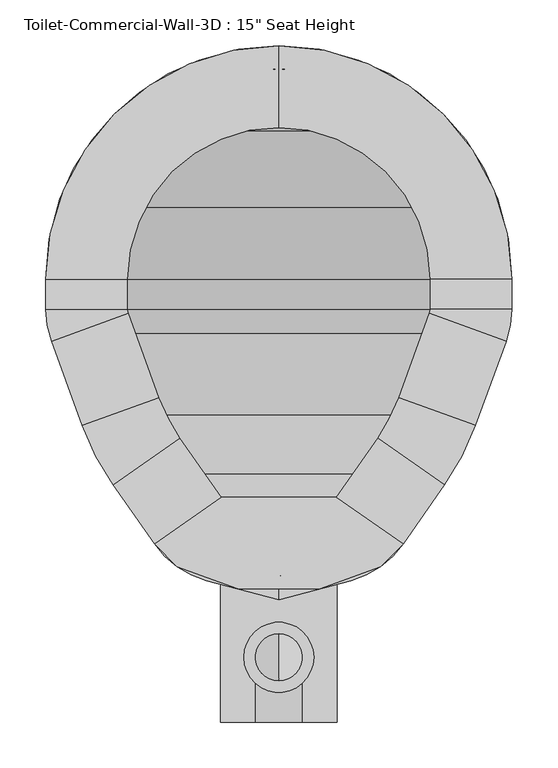
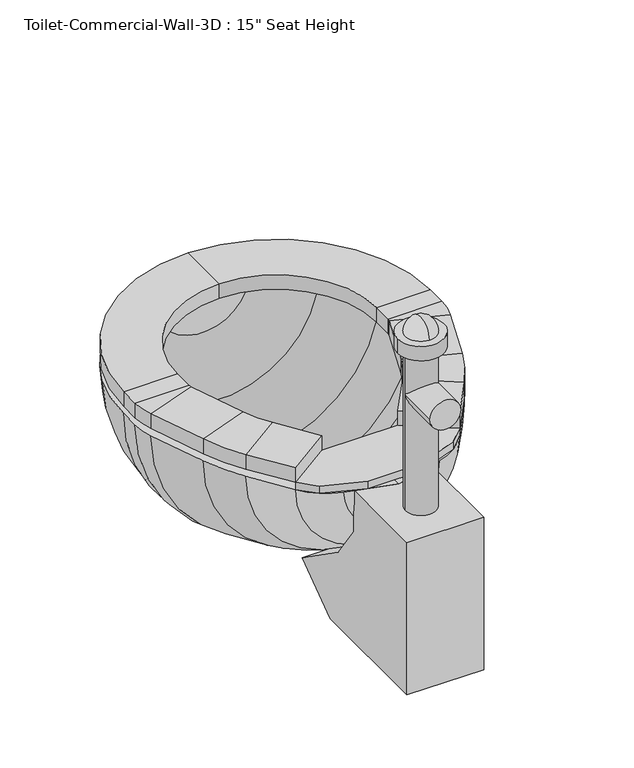
"""IFC4 building model written with IfcOpenShell, lengths in millimetres: flow terminal geometry."""

from ifc_helpers import new_model, si_unit, point, frame, frame_2d, origin, place, context, project, spatial, polyline, circle_curve, ellipse_curve, trimmed, segment, composite_curve, outline, extrude, source, transform, mapped, element, save
from ifc_brep_helpers import plane_surface, cylinder_surface, revolved_surface, advanced_brep


def flow_terminal_b1c2c89b(model_context):
    return source(origin(), model_context, "Body", "SolidModel", [
        extrude(outline(polyline([(467.7541169, 295.8347495), (540.5767337, 244.8438043), (515.6262519, 219.8933226), (449.563909, 195.8485961), (360.2423986, 195.8485961), (294.1800557, 219.8933226), (269.229574, 244.8438043), (342.0521907, 295.8347495), (467.7541169, 295.8347495)])), frame((0.0, 0.0, 342.9), z_axis=(0.0, 0.0, 1.0), x_axis=(1.0, 0.0, 0.0)), (0.0, 0.0, 1.0), 12.7),
        advanced_brep(
        [(467.7541169, 295.8347495, 355.6), (540.5767337, 244.8438043, 355.6), (540.5767337, 244.8438043, 381.0), (467.7541169, 295.8347495, 381.0), (512.8583992, 360.2503403, 355.6), (585.6810159, 309.2593951, 355.6), (585.6810159, 309.2593951, 381.0), (512.8583992, 360.2503403, 381.0), (619.360053, 373.9562234, 355.6), (535.821379, 404.3618141, 355.6), (619.360053, 373.9562234, 381.0), (535.821379, 404.3618141, 381.0), (569.2372501, 496.1711654, 355.6), (652.7759241, 465.7655747, 355.6), (652.7759241, 465.7655747, 381.0), (569.2372501, 496.1711654, 381.0), (658.9031538, 500.5148212, 355.6), (570.0031538, 500.5148212, 355.6), (658.9031538, 500.5148212, 381.0), (570.0031538, 500.5148212, 381.0), (570.0031538, 533.4, 355.6), (658.9031538, 533.4, 355.6), (658.9031538, 533.4, 381.0), (570.0031538, 533.4, 381.0), (404.9031538, 787.4, 355.6), (404.9031538, 698.5, 355.6), (404.9031538, 787.4, 381.0), (404.9031538, 698.5, 381.0), (150.9031538, 533.4, 355.6), (239.8031538, 533.4, 355.6), (150.9031538, 533.4, 381.0), (239.8031538, 533.4, 381.0), (239.8031538, 500.5148212, 355.6), (150.9031538, 500.5148212, 355.6), (150.9031538, 500.5148212, 381.0), (239.8031538, 500.5148212, 381.0), (157.0303835, 465.7655747, 355.6), (240.5690575, 496.1711654, 355.6), (157.0303835, 465.7655747, 381.0), (240.5690575, 496.1711654, 381.0), (273.9849286, 404.3618141, 355.6), (190.4462546, 373.9562234, 355.6), (190.4462546, 373.9562234, 381.0), (273.9849286, 404.3618141, 381.0), (224.1252917, 309.2593951, 355.6), (296.9479084, 360.2503403, 355.6), (224.1252917, 309.2593951, 381.0), (296.9479084, 360.2503403, 381.0), (342.0521907, 295.8347495, 355.6), (342.0521907, 295.8347495, 381.0), (269.229574, 244.8438043, 381.0), (269.229574, 244.8438043, 355.6)],
        [
            (0, 1),
            (1, 2),
            (2, 3),
            (3, 0),
            (0, 4),
            (4, 5),
            (5, 1),
            (5, 6),
            (6, 2),
            (6, 7),
            (7, 3),
            (7, 4),
            (8, 5, circle_curve(frame((356.8099347, 469.5166514, 355.6), z_axis=(0.0, 0.0, -1.0), x_axis=(0.81915204428899, -0.5735764363510486, 0.0)), 279.4)),
            (4, 9, circle_curve(frame((356.8099347, 469.5166514, 355.6), z_axis=(0.0, 0.0, 1.0), x_axis=(0.81915204428899, -0.5735764363510486, 0.0)), 190.5)),
            (9, 8),
            (10, 6, circle_curve(frame((356.8099347, 469.5166514, 381.0), z_axis=(0.0, 0.0, -1.0), x_axis=(0.81915204428899, -0.5735764363510486, 0.0)), 279.4)),
            (8, 10),
            (11, 7, circle_curve(frame((356.8099347, 469.5166514, 381.0), z_axis=(0.0, 0.0, -1.0), x_axis=(0.81915204428899, -0.5735764363510486, 0.0)), 190.5)),
            (10, 11),
            (11, 9),
            (9, 12),
            (12, 13),
            (13, 8),
            (13, 14),
            (14, 10),
            (14, 15),
            (15, 11),
            (15, 12),
            (16, 13, circle_curve(frame((557.3031538, 500.5148212, 355.6), z_axis=(0.0, 0.0, -1.0), x_axis=(0.939692620785906, -0.34202014332567526, 0.0)), 101.6)),
            (12, 17, circle_curve(frame((557.3031538, 500.5148212, 355.6), z_axis=(0.0, 0.0, 1.0), x_axis=(0.939692620785906, -0.34202014332567526, 0.0)), 12.7)),
            (17, 16),
            (18, 14, circle_curve(frame((557.3031538, 500.5148212, 381.0), z_axis=(0.0, 0.0, -1.0), x_axis=(0.939692620785906, -0.34202014332567526, 0.0)), 101.6)),
            (16, 18),
            (19, 15, circle_curve(frame((557.3031538, 500.5148212, 381.0), z_axis=(0.0, 0.0, -1.0), x_axis=(0.939692620785906, -0.34202014332567526, 0.0)), 12.7)),
            (18, 19),
            (19, 17),
            (17, 20),
            (20, 21),
            (21, 16),
            (21, 22),
            (22, 18),
            (22, 23),
            (23, 19),
            (23, 20),
            (24, 21, circle_curve(frame((404.9031538, 533.4, 355.6), z_axis=(0.0, 0.0, -1.0), x_axis=(1.0, 0.0, 0.0)), 254.0)),
            (20, 25, circle_curve(frame((404.9031538, 533.4, 355.6), z_axis=(0.0, 0.0, 1.0), x_axis=(1.0, 0.0, 0.0)), 165.1)),
            (25, 24),
            (26, 22, circle_curve(frame((404.9031538, 533.4, 381.0), z_axis=(0.0, 0.0, -1.0), x_axis=(1.0, 0.0, 0.0)), 254.0)),
            (24, 26),
            (27, 23, circle_curve(frame((404.9031538, 533.4, 381.0), z_axis=(0.0, 0.0, -1.0), x_axis=(1.0, 0.0, 0.0)), 165.1)),
            (26, 27),
            (27, 25),
            (28, 24, circle_curve(frame((404.9031538, 533.4, 355.6), z_axis=(0.0, 0.0, -1.0), x_axis=(0.0, 1.0, 0.0)), 254.0)),
            (25, 29, circle_curve(frame((404.9031538, 533.4, 355.6), z_axis=(0.0, 0.0, 1.0), x_axis=(0.0, 1.0, 0.0)), 165.1)),
            (29, 28),
            (30, 26, circle_curve(frame((404.9031538, 533.4, 381.0), z_axis=(0.0, 0.0, -1.0), x_axis=(0.0, 1.0, 0.0)), 254.0)),
            (28, 30),
            (31, 27, circle_curve(frame((404.9031538, 533.4, 381.0), z_axis=(0.0, 0.0, -1.0), x_axis=(0.0, 1.0, 0.0)), 165.1)),
            (30, 31),
            (31, 29),
            (29, 32),
            (32, 33),
            (33, 28),
            (33, 34),
            (34, 30),
            (34, 35),
            (35, 31),
            (35, 32),
            (36, 33, circle_curve(frame((252.5031538, 500.5148212, 355.6), z_axis=(0.0, 0.0, -1.0), x_axis=(-1.0, 0.0, 0.0)), 101.6)),
            (32, 37, circle_curve(frame((252.5031538, 500.5148212, 355.6), z_axis=(0.0, 0.0, 1.0), x_axis=(-1.0, 0.0, 0.0)), 12.7)),
            (37, 36),
            (38, 34, circle_curve(frame((252.5031538, 500.5148212, 381.0), z_axis=(0.0, 0.0, -1.0), x_axis=(-1.0, 0.0, 0.0)), 101.6)),
            (36, 38),
            (39, 35, circle_curve(frame((252.5031538, 500.5148212, 381.0), z_axis=(0.0, 0.0, -1.0), x_axis=(-1.0, 0.0, 0.0)), 12.7)),
            (38, 39),
            (39, 37),
            (37, 40),
            (40, 41),
            (41, 36),
            (41, 42),
            (42, 38),
            (42, 43),
            (43, 39),
            (43, 40),
            (44, 41, circle_curve(frame((452.9963729, 469.5166514, 355.6), z_axis=(0.0, 0.0, -1.0), x_axis=(-0.9396926207859088, -0.34202014332566766, 0.0)), 279.4)),
            (40, 45, circle_curve(frame((452.9963729, 469.5166514, 355.6), z_axis=(0.0, 0.0, 1.0), x_axis=(-0.9396926207859088, -0.34202014332566766, 0.0)), 190.5)),
            (45, 44),
            (46, 42, circle_curve(frame((452.9963729, 469.5166514, 381.0), z_axis=(0.0, 0.0, -1.0), x_axis=(-0.9396926207859088, -0.34202014332566766, 0.0)), 279.4)),
            (44, 46),
            (47, 43, circle_curve(frame((452.9963729, 469.5166514, 381.0), z_axis=(0.0, 0.0, -1.0), x_axis=(-0.9396926207859088, -0.34202014332566766, 0.0)), 190.5)),
            (46, 47),
            (47, 45),
            (48, 49),
            (49, 50),
            (50, 51),
            (51, 48),
            (45, 48),
            (51, 44),
            (50, 46),
            (49, 47),
        ],
        [
            plane_surface(frame((540.5767337, 244.8438043, 439.6203184), z_axis=(-0.5735764363510432, -0.8191520442889939, 0.0), x_axis=(0.8191520442889939, -0.5735764363510432, 0.0))),
            plane_surface(frame((467.7541169, 295.8347495, 355.6), z_axis=(0.0, 0.0, -1.0), x_axis=(0.5735764363510435, 0.8191520442889937, 0.0))),
            plane_surface(frame((540.5767337, 244.8438043, 355.6), z_axis=(0.8191520442889942, -0.5735764363510426, 0.0), x_axis=(0.5735764363510426, 0.8191520442889942, 0.0))),
            plane_surface(frame((540.5767337, 244.8438043, 381.0), z_axis=(0.0, 0.0, 1.0), x_axis=(0.5735764363510435, 0.8191520442889937, 0.0))),
            plane_surface(frame((467.7541169, 295.8347495, 381.0), z_axis=(-0.8191520442889937, 0.5735764363510435, 0.0), x_axis=(0.5735764363510435, 0.8191520442889937, 0.0))),
            plane_surface(frame((356.8099347, 469.5166514, 355.6), z_axis=(0.0, 0.0, -1.0), x_axis=(0.81915204428899, -0.5735764363510486, 0.0))),
            cylinder_surface(frame((356.8099347, 469.5166514, 342.9), z_axis=(0.0, 0.0, 1.0), x_axis=(0.81915204428899, -0.5735764363510486, 0.0)), 279.4),
            plane_surface(frame((356.8099347, 469.5166514, 381.0), z_axis=(0.0, 0.0, 1.0), x_axis=(0.81915204428899, -0.5735764363510486, 0.0))),
            revolved_surface(polyline([(512.8583991370526, 360.25034027512527, 381.0), (512.8583991370526, 360.25034027512527, 355.6)]), (356.8099347, 469.5166514, 342.9), (0.0, 0.0, 1.0)),
            plane_surface(frame((535.821379, 404.3618141, 355.6), z_axis=(0.0, 0.0, -1.0), x_axis=(0.34202014332566844, 0.9396926207859085, 0.0))),
            plane_surface(frame((619.360053, 373.9562234, 355.6), z_axis=(0.9396926207859084, -0.3420201433256689, 0.0), x_axis=(0.3420201433256689, 0.9396926207859084, 0.0))),
            plane_surface(frame((619.360053, 373.9562234, 381.0), z_axis=(0.0, 0.0, 1.0000000000000002), x_axis=(0.3420201433256689, 0.9396926207859084, 0.0))),
            plane_surface(frame((535.821379, 404.3618141, 381.0), z_axis=(-0.9396926207859085, 0.34202014332566844, 0.0), x_axis=(0.34202014332566844, 0.9396926207859085, 0.0))),
            plane_surface(frame((557.3031538, 500.5148212, 355.6), z_axis=(0.0, 0.0, -1.0), x_axis=(0.939692620785906, -0.34202014332567526, 0.0))),
            cylinder_surface(frame((557.3031538, 500.5148212, 342.9), z_axis=(0.0, 0.0, 1.0), x_axis=(0.939692620785906, -0.34202014332567526, 0.0)), 101.6),
            plane_surface(frame((557.3031538, 500.5148212, 381.0), z_axis=(0.0, 0.0, 1.0), x_axis=(0.939692620785906, -0.34202014332567526, 0.0))),
            revolved_surface(polyline([(569.237250083981, 496.1711653797639, 381.0), (569.237250083981, 496.1711653797639, 355.6)]), (557.3031538, 500.5148212, 342.9), (0.0, 0.0, 1.0)),
            plane_surface(frame((570.0031538, 500.5148212, 355.6), z_axis=(0.0, 0.0, -1.0), x_axis=(0.0, 1.0, 0.0))),
            plane_surface(frame((658.9031538, 500.5148212, 355.6), z_axis=(1.0, 0.0, 0.0), x_axis=(0.0, 1.0, 0.0))),
            plane_surface(frame((658.9031538, 500.5148212, 381.0), z_axis=(0.0, 0.0, 1.0), x_axis=(0.0, 1.0, 0.0))),
            plane_surface(frame((570.0031538, 500.5148212, 381.0), z_axis=(-1.0, 0.0, 0.0), x_axis=(0.0, 1.0, 0.0))),
            plane_surface(frame((404.9031538, 533.4, 355.6), z_axis=(0.0, 0.0, -1.0), x_axis=(1.0, 0.0, 0.0))),
            cylinder_surface(frame((404.9031538, 533.4, 342.9), z_axis=(0.0, 0.0, 1.0), x_axis=(1.0, 0.0, 0.0)), 254.0),
            plane_surface(frame((404.9031538, 533.4, 381.0), z_axis=(0.0, 0.0, 1.0), x_axis=(1.0, 0.0, 0.0))),
            revolved_surface(polyline([(570.0031538, 533.4, 381.0), (570.0031538, 533.4, 355.6)]), (404.9031538, 533.4, 342.9), (0.0, 0.0, 1.0)),
            plane_surface(frame((404.9031538, 533.4, 355.6), z_axis=(0.0, 0.0, -1.0), x_axis=(0.0, 1.0, 0.0))),
            cylinder_surface(frame((404.9031538, 533.4, 342.9), z_axis=(0.0, 0.0, 1.0), x_axis=(0.0, 1.0, 0.0)), 254.0),
            plane_surface(frame((404.9031538, 533.4, 381.0), z_axis=(0.0, 0.0, 1.0), x_axis=(0.0, 1.0, 0.0))),
            revolved_surface(polyline([(404.9031538, 698.5, 381.0), (404.9031538, 698.5, 355.6)]), (404.9031538, 533.4, 342.9), (0.0, 0.0, 1.0)),
            plane_surface(frame((239.8031538, 533.4, 355.6), z_axis=(0.0, 0.0, -1.0), x_axis=(0.0, -1.0, 0.0))),
            plane_surface(frame((150.9031538, 533.4, 355.6), z_axis=(-1.0, 0.0, 0.0), x_axis=(0.0, -1.0, 0.0))),
            plane_surface(frame((150.9031538, 533.4, 381.0), z_axis=(0.0, 0.0, 1.0), x_axis=(0.0, -1.0, 0.0))),
            plane_surface(frame((239.8031538, 533.4, 381.0), z_axis=(1.0, 0.0, 0.0), x_axis=(0.0, -1.0, 0.0))),
            plane_surface(frame((252.5031538, 500.5148212, 355.6), z_axis=(0.0, 0.0, -1.0), x_axis=(-1.0, 0.0, 0.0))),
            cylinder_surface(frame((252.5031538, 500.5148212, 342.9), z_axis=(0.0, 0.0, 1.0), x_axis=(-1.0, 0.0, 0.0)), 101.6),
            plane_surface(frame((252.5031538, 500.5148212, 381.0), z_axis=(0.0, 0.0, 1.0), x_axis=(-1.0, 0.0, 0.0))),
            revolved_surface(polyline([(239.80315380000002, 500.5148212, 381.0), (239.80315380000002, 500.5148212, 355.6)]), (252.5031538, 500.5148212, 342.9), (0.0, 0.0, 1.0)),
            plane_surface(frame((240.5690575, 496.1711654, 355.6), z_axis=(0.0, 0.0, -1.0000000000000002), x_axis=(0.34202014332566755, -0.9396926207859089, 0.0))),
            plane_surface(frame((157.0303835, 465.7655747, 355.6), z_axis=(-0.9396926207859089, -0.34202014332566755, 0.0), x_axis=(0.34202014332566755, -0.9396926207859089, 0.0))),
            plane_surface(frame((157.0303835, 465.7655747, 381.0), z_axis=(0.0, 0.0, 1.0000000000000002), x_axis=(0.34202014332566727, -0.939692620785909, 0.0))),
            plane_surface(frame((240.5690575, 496.1711654, 381.0), z_axis=(0.9396926207859089, 0.34202014332566755, 0.0), x_axis=(0.34202014332566755, -0.9396926207859089, 0.0))),
            plane_surface(frame((452.9963729, 469.5166514, 355.6), z_axis=(0.0, 0.0, -1.0), x_axis=(-0.9396926207859088, -0.34202014332566766, 0.0))),
            cylinder_surface(frame((452.9963729, 469.5166514, 342.9), z_axis=(0.0, 0.0, 1.0), x_axis=(-0.9396926207859088, -0.34202014332566766, 0.0)), 279.4),
            plane_surface(frame((452.9963729, 469.5166514, 381.0), z_axis=(0.0, 0.0, 1.0), x_axis=(-0.9396926207859088, -0.34202014332566766, 0.0))),
            revolved_surface(polyline([(273.98492864028435, 404.3618140964603, 381.0), (273.98492864028435, 404.3618140964603, 355.6)]), (452.9963729, 469.5166514, 342.9), (0.0, 0.0, 1.0)),
            plane_surface(frame((269.229574, 244.8438043, 246.1796816), z_axis=(0.5735764363510469, -0.8191520442889911, 0.0), x_axis=(0.8191520442889911, 0.5735764363510469, 0.0))),
            plane_surface(frame((296.9479084, 360.2503403, 355.6), z_axis=(0.0, 0.0, -1.0), x_axis=(0.5735764363510473, -0.819152044288991, 0.0))),
            plane_surface(frame((224.1252917, 309.2593951, 355.6), z_axis=(-0.8191520442889909, -0.5735764363510475, 0.0), x_axis=(0.5735764363510475, -0.8191520442889909, 0.0))),
            plane_surface(frame((224.1252917, 309.2593951, 381.0), z_axis=(0.0, 0.0, 1.0), x_axis=(0.5735764363510467, -0.8191520442889914, 0.0))),
            plane_surface(frame((296.9479084, 360.2503403, 381.0), z_axis=(0.8191520442889916, 0.5735764363510465, 0.0), x_axis=(0.5735764363510465, -0.8191520442889916, 0.0))),
        ],
        [
            (0, [[1, 2, 3, 4]]),
            (1, [[-1, 5, 6, 7]]),
            (2, [[-2, -7, 8, 9]]),
            (3, [[-3, -9, 10, 11]]),
            (4, [[-4, -11, 12, -5]]),
            (5, [[13, -6, 14, 15]]),
            (6, [[16, -8, -13, 17]]),
            (7, [[18, -10, -16, 19]]),
            (8, [[-14, -12, -18, 20]]),
            (9, [[-15, 21, 22, 23]]),
            (10, [[-17, -23, 24, 25]]),
            (11, [[-19, -25, 26, 27]]),
            (12, [[-20, -27, 28, -21]]),
            (13, [[29, -22, 30, 31]]),
            (14, [[32, -24, -29, 33]]),
            (15, [[34, -26, -32, 35]]),
            (16, [[-30, -28, -34, 36]]),
            (17, [[-31, 37, 38, 39]]),
            (18, [[-33, -39, 40, 41]]),
            (19, [[-35, -41, 42, 43]]),
            (20, [[-36, -43, 44, -37]]),
            (21, [[45, -38, 46, 47]]),
            (22, [[48, -40, -45, 49]]),
            (23, [[50, -42, -48, 51]]),
            (24, [[-46, -44, -50, 52]]),
            (25, [[53, -47, 54, 55]]),
            (26, [[56, -49, -53, 57]]),
            (27, [[58, -51, -56, 59]]),
            (28, [[-54, -52, -58, 60]]),
            (29, [[-55, 61, 62, 63]]),
            (30, [[-57, -63, 64, 65]]),
            (31, [[-59, -65, 66, 67]]),
            (32, [[-60, -67, 68, -61]]),
            (33, [[69, -62, 70, 71]]),
            (34, [[72, -64, -69, 73]]),
            (35, [[74, -66, -72, 75]]),
            (36, [[-70, -68, -74, 76]]),
            (37, [[-71, 77, 78, 79]]),
            (38, [[-73, -79, 80, 81]]),
            (39, [[-75, -81, 82, 83]]),
            (40, [[-76, -83, 84, -77]]),
            (41, [[85, -78, 86, 87]]),
            (42, [[88, -80, -85, 89]]),
            (43, [[90, -82, -88, 91]]),
            (44, [[-86, -84, -90, 92]]),
            (45, [[93, 94, 95, 96]]),
            (46, [[-87, 97, -96, 98]]),
            (47, [[-89, -98, -95, 99]]),
            (48, [[-91, -99, -94, 100]]),
            (49, [[-92, -100, -93, -97]]),
        ],
    ),
        advanced_brep(
        [(491.7762702, 772.0819257, 342.9), (404.9031538, 787.4, 342.9), (404.9031538, 762.0, 342.9), (483.0889586, 748.2137331, 342.9), (566.547764, 695.0446102, 342.9), (619.7168869, 611.5858048, 342.9), (633.5031538, 533.4, 342.9), (633.5031538, 500.5148212, 342.9), (628.9077315, 474.4528863, 342.9), (596.6355667, 385.7858422, 342.9), (562.9565296, 321.0890139, 342.9), (525.0728964, 266.9855786, 342.9), (468.1430637, 227.1228806, 342.9), (404.9031538, 210.1777978, 342.9), (404.9031538, 183.8817829, 342.9), (483.6469009, 204.9811063, 342.9), (540.5767337, 244.8438043, 342.9), (585.6810159, 309.2593951, 342.9), (619.360053, 373.9562234, 342.9), (652.7759241, 465.7655747, 342.9), (658.9031538, 500.5148212, 342.9), (658.9031538, 533.4, 342.9), (643.5850795, 620.2731164, 342.9), (584.5082762, 713.0051224, 342.9), (318.0300374, 772.0819257, 342.9), (225.2980314, 713.0051224, 342.9), (166.2212281, 620.2731164, 342.9), (150.9031538, 533.4, 342.9), (150.9031538, 500.5148212, 342.9), (157.0303835, 465.7655747, 342.9), (190.4462546, 373.9562234, 342.9), (224.1252917, 309.2593951, 342.9), (269.229574, 244.8438043, 342.9), (326.1594067, 204.9811063, 342.9), (341.663244, 227.1228806, 342.9), (284.7334112, 266.9855786, 342.9), (246.849778, 321.0890139, 342.9), (213.1707409, 385.7858422, 342.9), (180.8985761, 474.4528863, 342.9), (176.3031538, 500.5148212, 342.9), (176.3031538, 533.4, 342.9), (190.0894207, 611.5858048, 342.9), (243.2585436, 695.0446102, 342.9), (326.7173491, 748.2137331, 342.9)],
        [
            (0, 1, circle_curve(frame((404.9031538, 533.4, 342.9), z_axis=(0.0, 0.0, 1.0), x_axis=(1.0, 0.0, 0.0)), 254.0)),
            (1, 2),
            (2, 3, circle_curve(frame((404.9031538, 533.4, 342.9), z_axis=(0.0, 0.0, -1.0), x_axis=(1.0, 0.0, 0.0)), 228.6)),
            (3, 4, circle_curve(frame((404.9031538, 533.4, 342.9), z_axis=(0.0, 0.0, -1.0), x_axis=(1.0, 0.0, 0.0)), 228.6)),
            (4, 5, circle_curve(frame((404.9031538, 533.4, 342.9), z_axis=(0.0, 0.0, -1.0), x_axis=(1.0, 0.0, 0.0)), 228.6)),
            (5, 6, circle_curve(frame((404.9031538, 533.4, 342.9), z_axis=(0.0, 0.0, -1.0), x_axis=(1.0, 0.0, 0.0)), 228.6)),
            (6, 7),
            (7, 8, circle_curve(frame((557.3031538, 500.5148212, 342.9), z_axis=(0.0, 0.0, -1.0), x_axis=(1.0, 0.0, 0.0)), 76.2)),
            (8, 9),
            (9, 10, circle_curve(frame((334.0854485, 481.3462703, 342.9), z_axis=(0.0, 0.0, -1.0), x_axis=(1.0, 0.0, 0.0)), 279.4)),
            (10, 11),
            (11, 12, circle_curve(frame((441.8470487, 325.2609446, 342.9), z_axis=(0.0, 0.0, -1.0), x_axis=(1.0, 0.0, 0.0)), 101.6)),
            (12, 13),
            (13, 14),
            (14, 15),
            (15, 16, circle_curve(frame((457.350886, 303.1191703, 342.9), z_axis=(0.0, 0.0, 1.0), x_axis=(1.0, 0.0, 0.0)), 101.6)),
            (16, 17),
            (17, 18, circle_curve(frame((356.8099347, 469.5166514, 342.9), z_axis=(0.0, 0.0, 1.0), x_axis=(1.0, 0.0, 0.0)), 279.4)),
            (18, 19),
            (19, 20, circle_curve(frame((557.3031538, 500.5148212, 342.9), z_axis=(0.0, 0.0, 1.0), x_axis=(1.0, 0.0, 0.0)), 101.6)),
            (20, 21),
            (21, 22, circle_curve(frame((404.9031538, 533.4, 342.9), z_axis=(0.0, 0.0, 1.0), x_axis=(1.0, 0.0, 0.0)), 254.0)),
            (22, 23, circle_curve(frame((404.9031538, 533.4, 342.9), z_axis=(0.0, 0.0, 1.0), x_axis=(1.0, 0.0, 0.0)), 254.0)),
            (23, 0, circle_curve(frame((404.9031538, 533.4, 342.9), z_axis=(0.0, 0.0, 1.0), x_axis=(1.0, 0.0, 0.0)), 254.0)),
            (24, 25, circle_curve(frame((404.9031538, 533.4, 342.9), z_axis=(0.0, 0.0, 1.0), x_axis=(-1.0, 0.0, 0.0)), 254.0)),
            (25, 26, circle_curve(frame((404.9031538, 533.4, 342.9), z_axis=(0.0, 0.0, 1.0), x_axis=(-1.0, 0.0, 0.0)), 254.0)),
            (26, 27, circle_curve(frame((404.9031538, 533.4, 342.9), z_axis=(0.0, 0.0, 1.0), x_axis=(-1.0, 0.0, 0.0)), 254.0)),
            (27, 28),
            (28, 29, circle_curve(frame((252.5031538, 500.5148212, 342.9), z_axis=(0.0, 0.0, 1.0), x_axis=(-1.0, 0.0, 0.0)), 101.6)),
            (29, 30),
            (30, 31, circle_curve(frame((452.9963729, 469.5166514, 342.9), z_axis=(0.0, 0.0, 1.0), x_axis=(-1.0, 0.0, 0.0)), 279.4)),
            (31, 32),
            (32, 33, circle_curve(frame((352.4554217, 303.1191703, 342.9), z_axis=(0.0, 0.0, 1.0), x_axis=(-1.0, 0.0, 0.0)), 101.6)),
            (33, 14),
            (13, 34),
            (34, 35, circle_curve(frame((367.9592589, 325.2609446, 342.9), z_axis=(0.0, 0.0, -1.0), x_axis=(-1.0, 0.0, 0.0)), 101.6)),
            (35, 36),
            (36, 37, circle_curve(frame((475.7208592, 481.3462703, 342.9), z_axis=(0.0, 0.0, -1.0), x_axis=(-1.0, 0.0, 0.0)), 279.4)),
            (37, 38),
            (38, 39, circle_curve(frame((252.5031538, 500.5148212, 342.9), z_axis=(0.0, 0.0, -1.0), x_axis=(-1.0, 0.0, 0.0)), 76.2)),
            (39, 40),
            (40, 41, circle_curve(frame((404.9031538, 533.4, 342.9), z_axis=(0.0, 0.0, -1.0), x_axis=(-1.0, 0.0, 0.0)), 228.6)),
            (41, 42, circle_curve(frame((404.9031538, 533.4, 342.9), z_axis=(0.0, 0.0, -1.0), x_axis=(-1.0, 0.0, 0.0)), 228.6)),
            (42, 43, circle_curve(frame((404.9031538, 533.4, 342.9), z_axis=(0.0, 0.0, -1.0), x_axis=(-1.0, 0.0, 0.0)), 228.6)),
            (43, 2, circle_curve(frame((404.9031538, 533.4, 342.9), z_axis=(0.0, 0.0, -1.0), x_axis=(-1.0, 0.0, 0.0)), 228.6)),
            (1, 24, circle_curve(frame((404.9031538, 533.4, 342.9), z_axis=(0.0, 0.0, 1.0), x_axis=(-1.0, 0.0, 0.0)), 254.0)),
            (0, 24, circle_curve(frame((404.9031538, 772.0819257, 342.9), z_axis=(0.0, 1.0, 0.0), x_axis=(1.0, 0.0, 0.0)), 86.8731164)),
            (43, 3, circle_curve(frame((404.9031538, 748.2137331, 342.9), z_axis=(0.0, -1.0, 0.0), x_axis=(1.0, 0.0, 0.0)), 78.1858048)),
            (42, 4, circle_curve(frame((404.9031538, 695.0446102, 342.9), z_axis=(0.0, -1.0, 0.0), x_axis=(1.0, 0.0, 0.0)), 161.6446102)),
            (41, 5, circle_curve(frame((404.9031538, 611.5858048, 342.9), z_axis=(0.0, -1.0, 0.0), x_axis=(1.0, 0.0, 0.0)), 214.8137331)),
            (40, 6, circle_curve(frame((404.9031538, 533.4, 342.9), z_axis=(0.0, -1.0, 0.0), x_axis=(1.0, 0.0, 0.0)), 228.6)),
            (39, 7, circle_curve(frame((404.9031538, 500.5148212, 342.9), z_axis=(0.0, -1.0, 0.0), x_axis=(1.0, 0.0, 0.0)), 228.6)),
            (38, 8, circle_curve(frame((404.9031538, 474.4528863, 342.9), z_axis=(0.0, -1.0, 0.0), x_axis=(1.0, 0.0, 0.0)), 224.0045777)),
            (37, 9, circle_curve(frame((404.9031538, 385.7858422, 342.9), z_axis=(0.0, -1.0, 0.0), x_axis=(1.0, 0.0, 0.0)), 191.7324129)),
            (36, 10, circle_curve(frame((404.9031538, 321.0890139, 342.9), z_axis=(0.0, -1.0, 0.0), x_axis=(1.0, 0.0, 0.0)), 158.0533758)),
            (35, 11, circle_curve(frame((404.9031538, 266.9855786, 342.9), z_axis=(0.0, -1.0, 0.0), x_axis=(1.0, 0.0, 0.0)), 120.1697426)),
            (34, 12, circle_curve(frame((404.9031538, 227.1228806, 342.9), z_axis=(0.0, -1.0, 0.0), x_axis=(1.0, 0.0, 0.0)), 63.2399099)),
            (33, 15, circle_curve(frame((404.9031538, 204.9811063, 342.9), z_axis=(0.0, -1.0, 0.0), x_axis=(1.0, 0.0, 0.0)), 78.7437471)),
            (32, 16, circle_curve(frame((404.9031538, 244.8438043, 342.9), z_axis=(0.0, -1.0, 0.0), x_axis=(1.0, 0.0, 0.0)), 135.6735798)),
            (31, 17, circle_curve(frame((404.9031538, 309.2593951, 342.9), z_axis=(0.0, -1.0, 0.0), x_axis=(1.0, 0.0, 0.0)), 180.7778621)),
            (30, 18, circle_curve(frame((404.9031538, 373.9562234, 342.9), z_axis=(0.0, -1.0, 0.0), x_axis=(1.0, 0.0, 0.0)), 214.4568992)),
            (29, 19, circle_curve(frame((404.9031538, 465.7655747, 342.9), z_axis=(0.0, -1.0, 0.0), x_axis=(1.0, 0.0, 0.0)), 247.8727703)),
            (28, 20, circle_curve(frame((404.9031538, 500.5148212, 342.9), z_axis=(0.0, -1.0, 0.0), x_axis=(1.0, 0.0, 0.0)), 254.0)),
            (27, 21, circle_curve(frame((404.9031538, 533.4, 342.9), z_axis=(0.0, -1.0, 0.0), x_axis=(1.0, 0.0, 0.0)), 254.0)),
            (26, 22, circle_curve(frame((404.9031538, 620.2731164, 342.9), z_axis=(0.0, -1.0, 0.0), x_axis=(1.0, 0.0, 0.0)), 238.6819257)),
            (25, 23, circle_curve(frame((404.9031538, 713.0051224, 342.9), z_axis=(0.0, -1.0, 0.0), x_axis=(1.0, 0.0, 0.0)), 179.6051224)),
        ],
        [
            plane_surface(frame((404.9031538, 892.6102448, 342.9), z_axis=(0.0, 0.0, 1.0), x_axis=(1.0, 0.0, 0.0))),
            plane_surface(frame((404.9031538, 892.6102448, 342.9), z_axis=(0.0, 0.0, 1.0), x_axis=(-1.0, 0.0, 0.0))),
            revolved_surface(trimmed(ellipse_curve(frame((404.9031538, 533.4, 342.9), z_axis=(0.0, 0.0, 1.0), x_axis=(1.0, 0.0, 0.0)), 254.0, 254.0), [point((491.7762702, 772.0819257, 342.9))], [point((404.9031538, 787.4, 342.9))], True, "CARTESIAN"), (404.9031538, 892.6102448, 342.9), (0.0, 1.0, 0.0)),
            revolved_surface(trimmed(ellipse_curve(frame((404.9031538, 533.4, 342.9), z_axis=(0.0, 0.0, -1.0), x_axis=(1.0, 0.0, 0.0)), 228.6, 228.6), [point((404.9031538, 762.0, 342.9))], [point((483.0889586, 748.2137331, 342.9))], True, "CARTESIAN"), (404.9031538, 892.6102448, 342.9), (0.0, 1.0, 0.0)),
            revolved_surface(trimmed(ellipse_curve(frame((404.9031538, 533.4, 342.9), z_axis=(0.0, 0.0, -1.0), x_axis=(1.0, 0.0, 0.0)), 228.6, 228.6), [point((483.0889586, 748.2137331, 342.9))], [point((566.547764, 695.0446102, 342.9))], True, "CARTESIAN"), (404.9031538, 892.6102448, 342.9), (0.0, 1.0, 0.0)),
            revolved_surface(trimmed(ellipse_curve(frame((404.9031538, 533.4, 342.9), z_axis=(0.0, 0.0, -1.0), x_axis=(1.0, 0.0, 0.0)), 228.6, 228.6), [point((566.547764, 695.0446102, 342.9))], [point((619.7168869, 611.5858048, 342.9))], True, "CARTESIAN"), (404.9031538, 892.6102448, 342.9), (0.0, 1.0, 0.0)),
            revolved_surface(trimmed(ellipse_curve(frame((404.9031538, 533.4, 342.9), z_axis=(0.0, 0.0, -1.0), x_axis=(1.0, 0.0, 0.0)), 228.6, 228.6), [point((619.7168869, 611.5858048, 342.9))], [point((633.5031538, 533.4, 342.9))], True, "CARTESIAN"), (404.9031538, 892.6102448, 342.9), (0.0, 1.0, 0.0)),
            revolved_surface(polyline([(633.5031538, 533.4, 342.9), (633.5031538, 500.5148212, 342.9)]), (404.9031538, 892.6102448, 342.9), (0.0, 1.0, 0.0)),
            revolved_surface(trimmed(ellipse_curve(frame((557.3031538, 500.5148212, 342.9), z_axis=(0.0, 0.0, -1.0), x_axis=(1.0, 0.0, 0.0)), 76.2, 76.2), [point((633.5031538, 500.5148212, 342.9))], [point((628.9077315, 474.4528863, 342.9))], True, "CARTESIAN"), (404.9031538, 892.6102448, 342.9), (0.0, 1.0, 0.0)),
            revolved_surface(polyline([(628.9077315, 474.4528863, 342.9), (596.6355667, 385.7858422, 342.9)]), (404.9031538, 892.6102448, 342.9), (0.0, 1.0, 0.0)),
            revolved_surface(trimmed(ellipse_curve(frame((334.0854485, 481.3462703, 342.9), z_axis=(0.0, 0.0, -1.0), x_axis=(1.0, 0.0, 0.0)), 279.4, 279.4), [point((596.6355667, 385.7858422, 342.9))], [point((562.9565296, 321.0890139, 342.9))], True, "CARTESIAN"), (404.9031538, 892.6102448, 342.9), (0.0, 1.0, 0.0)),
            revolved_surface(polyline([(562.9565296, 321.0890139, 342.9), (525.0728964, 266.9855786, 342.9)]), (404.9031538, 892.6102448, 342.9), (0.0, 1.0, 0.0)),
            revolved_surface(trimmed(ellipse_curve(frame((441.8470487, 325.2609446, 342.9), z_axis=(0.0, 0.0, -1.0), x_axis=(1.0, 0.0, 0.0)), 101.6, 101.6), [point((525.0728964, 266.9855786, 342.9))], [point((468.1430637, 227.1228806, 342.9))], True, "CARTESIAN"), (404.9031538, 892.6102448, 342.9), (0.0, 1.0, 0.0)),
            revolved_surface(polyline([(468.1430637, 227.1228806, 342.9), (404.9031538, 210.1777978, 342.9)]), (404.9031538, 892.6102448, 342.9), (0.0, 1.0, 0.0)),
            revolved_surface(polyline([(404.9031538, 183.8817829, 342.9), (483.6469009, 204.9811063, 342.9)]), (404.9031538, 892.6102448, 342.9), (0.0, 1.0, 0.0)),
            revolved_surface(trimmed(ellipse_curve(frame((457.350886, 303.1191703, 342.9), z_axis=(0.0, 0.0, 1.0), x_axis=(1.0, 0.0, 0.0)), 101.6, 101.6), [point((483.6469009, 204.9811063, 342.9))], [point((540.5767337, 244.8438043, 342.9))], True, "CARTESIAN"), (404.9031538, 892.6102448, 342.9), (0.0, 1.0, 0.0)),
            revolved_surface(polyline([(540.5767337, 244.8438043, 342.9), (585.6810159, 309.2593951, 342.9)]), (404.9031538, 892.6102448, 342.9), (0.0, 1.0, 0.0)),
            revolved_surface(trimmed(ellipse_curve(frame((356.8099347, 469.5166514, 342.9), z_axis=(0.0, 0.0, 1.0), x_axis=(1.0, 0.0, 0.0)), 279.4, 279.4), [point((585.6810159, 309.2593951, 342.9))], [point((619.360053, 373.9562234, 342.9))], True, "CARTESIAN"), (404.9031538, 892.6102448, 342.9), (0.0, 1.0, 0.0)),
            revolved_surface(polyline([(619.360053, 373.9562234, 342.9), (652.7759241, 465.7655747, 342.9)]), (404.9031538, 892.6102448, 342.9), (0.0, 1.0, 0.0)),
            revolved_surface(trimmed(ellipse_curve(frame((557.3031538, 500.5148212, 342.9), z_axis=(0.0, 0.0, 1.0), x_axis=(1.0, 0.0, 0.0)), 101.6, 101.6), [point((652.7759241, 465.7655747, 342.9))], [point((658.9031538, 500.5148212, 342.9))], True, "CARTESIAN"), (404.9031538, 892.6102448, 342.9), (0.0, 1.0, 0.0)),
            cylinder_surface(frame((404.9031538, 892.6102448, 342.9), z_axis=(0.0, 1.0, 0.0), x_axis=(1.0, 0.0, 0.0)), 254.0),
            revolved_surface(trimmed(ellipse_curve(frame((404.9031538, 533.4, 342.9), z_axis=(0.0, 0.0, 1.0), x_axis=(1.0, 0.0, 0.0)), 254.0, 254.0), [point((658.9031538, 533.4, 342.9))], [point((643.5850795, 620.2731164, 342.9))], True, "CARTESIAN"), (404.9031538, 892.6102448, 342.9), (0.0, 1.0, 0.0)),
            revolved_surface(trimmed(ellipse_curve(frame((404.9031538, 533.4, 342.9), z_axis=(0.0, 0.0, 1.0), x_axis=(1.0, 0.0, 0.0)), 254.0, 254.0), [point((643.5850795, 620.2731164, 342.9))], [point((584.5082762, 713.0051224, 342.9))], True, "CARTESIAN"), (404.9031538, 892.6102448, 342.9), (0.0, 1.0, 0.0)),
            revolved_surface(trimmed(ellipse_curve(frame((404.9031538, 533.4, 342.9), z_axis=(0.0, 0.0, 1.0), x_axis=(1.0, 0.0, 0.0)), 254.0, 254.0), [point((584.5082762, 713.0051224, 342.9))], [point((491.7762702, 772.0819257, 342.9))], True, "CARTESIAN"), (404.9031538, 892.6102448, 342.9), (0.0, 1.0, 0.0)),
        ],
        [
            (0, [[1, 2, 3, 4, 5, 6, 7, 8, 9, 10, 11, 12, 13, 14, 15, 16, 17, 18, 19, 20, 21, 22, 23, 24]]),
            (1, [[25, 26, 27, 28, 29, 30, 31, 32, 33, 34, -14, 35, 36, 37, 38, 39, 40, 41, 42, 43, 44, 45, -2, 46]]),
            (2, [[-1, 47, -46]]),
            (3, [[48, -3, -45]]),
            (4, [[49, -4, -48, -44]]),
            (5, [[50, -5, -49, -43]]),
            (6, [[51, -6, -50, -42]]),
            (7, [[52, -7, -51, -41]]),
            (8, [[53, -8, -52, -40]]),
            (9, [[54, -9, -53, -39]]),
            (10, [[55, -10, -54, -38]]),
            (11, [[56, -11, -55, -37]]),
            (12, [[57, -12, -56, -36]]),
            (13, [[-13, -57, -35]]),
            (14, [[58, -15, -34]]),
            (15, [[59, -16, -58, -33]]),
            (16, [[60, -17, -59, -32]]),
            (17, [[61, -18, -60, -31]]),
            (18, [[62, -19, -61, -30]]),
            (19, [[63, -20, -62, -29]]),
            (20, [[64, -21, -63, -28]]),
            (21, [[65, -22, -64, -27]]),
            (22, [[66, -23, -65, -26]]),
            (23, [[-47, -24, -66, -25]]),
        ],
    ),
        advanced_brep(
        [(404.9031538, 95.7176912, 647.7), (404.9031538, 146.9528563, 647.7), (404.9031538, 121.3352737, 673.3175826), (404.9031538, 121.3352737, 647.7)],
        [
            (0, 1, circle_curve(frame((404.9031538, 121.3352737, 647.7), z_axis=(0.0, 0.0, 1.0), x_axis=(0.0, 1.0, 0.0)), 25.6175826)),
            (1, 2, circle_curve(frame((404.9031538, 121.3352737, 647.7), z_axis=(1.0, 0.0, 0.0), x_axis=(0.0, -1.0, 0.0)), 25.6175826)),
            (2, 0, circle_curve(frame((404.9031538, 121.3352737, 647.7), z_axis=(1.0, 0.0, 0.0), x_axis=(0.0, 1.0, 0.0)), 25.6175826)),
            (1, 0, circle_curve(frame((404.9031538, 121.3352737, 647.7), z_axis=(0.0, 0.0, 1.0), x_axis=(0.0, 1.0, 0.0)), 25.6175826)),
            (3, 1),
            (0, 3),
        ],
        [
            revolved_surface(trimmed(ellipse_curve(frame((404.9031538, 121.3352737, 647.7), z_axis=(-1.0, 0.0, 0.0), x_axis=(0.0, -1.0, 0.0)), 25.6175826, 25.6175826), [point((404.9031538, 121.3352737, 673.3175826))], [point((404.9031538, 146.9528563, 647.7))], True, "CARTESIAN"), (404.9031538, 121.3352737, 712.3277273), (0.0, 0.0, -1.0)),
            plane_surface(frame((404.9031538, 121.3352737, 647.7), z_axis=(0.0, 0.0, -1.0), x_axis=(0.0, 1.0, 0.0))),
        ],
        [
            (0, [[1, 2, 3]]),
            (0, [[4, -3, -2]]),
            (1, [[5, -1, 6]]),
            (1, [[-6, -4, -5]]),
        ],
    ),
        extrude(outline(composite_curve([segment(trimmed(circle_curve(frame_2d((404.9031538, 121.3352737)), 38.1), [point((366.8031538, 121.3352737))], [point((443.0031538, 121.3352737))], False, "CARTESIAN"), True, "CONTINUOUS"), segment(trimmed(circle_curve(frame_2d((404.9031538, 121.3352737)), 38.1), [point((443.0031538, 121.3352737))], [point((366.8031538, 121.3352737))], False, "CARTESIAN"), True, "CONTINUOUS")], self_intersect=False)), frame((0.0, 0.0, 622.3), z_axis=(0.0, 0.0, 1.0), x_axis=(1.0, 0.0, 0.0)), (0.0, 0.0, 1.0), 25.4),
        extrude(outline(composite_curve([segment(trimmed(circle_curve(frame_2d((544.2113641, 404.9031538)), 25.4), [point((544.2113641, 379.5031538))], [point((544.2113641, 430.3031538))], False, "CARTESIAN"), True, "CONTINUOUS"), segment(trimmed(circle_curve(frame_2d((544.2113641, 404.9031538)), 25.4), [point((544.2113641, 430.3031538))], [point((544.2113641, 379.5031538))], False, "CARTESIAN"), True, "CONTINUOUS")], self_intersect=False)), frame((0.0, 50.8, 0.0), z_axis=(0.0, 1.0, 0.0), x_axis=(0.0, 0.0, 1.0)), (0.0, 0.0, 1.0), 70.64375),
        extrude(outline(composite_curve([segment(trimmed(circle_curve(frame_2d((404.9031538, 121.3352737)), 25.4), [point((379.5031538, 121.3352737))], [point((430.3031538, 121.3352737))], False, "CARTESIAN"), True, "CONTINUOUS"), segment(trimmed(circle_curve(frame_2d((404.9031538, 121.3352737)), 25.4), [point((430.3031538, 121.3352737))], [point((379.5031538, 121.3352737))], False, "CARTESIAN"), True, "CONTINUOUS")], self_intersect=False)), frame((0.0, 0.0, 342.9), z_axis=(0.0, 0.0, 1.0), x_axis=(1.0, 0.0, 0.0)), (0.0, 0.0, 1.0), 279.4),
        extrude(outline(polyline([(203.6037941, 342.9), (203.6037941, 269.296452), (247.3103185, 206.8770663), (351.3426282, 134.0328588), (270.8454017, 76.2), (50.8, 76.2), (50.8, 342.9), (203.6037941, 342.9)])), frame((341.4031538, 0.0, 0.0), z_axis=(1.0, 0.0, 0.0), x_axis=(0.0, 1.0, 0.0)), (0.0, 0.0, 1.0), 127.0),
    ])


if __name__ == "__main__":
    model = new_model("IFC4")
    model_context = context("Model", 3, world=origin())
    ifc_project = project(units=[si_unit("LENGTHUNIT", "METRE", prefix="MILLI")], contexts=[model_context])
    site = spatial("IfcSite", under=ifc_project)
    building = spatial("IfcBuilding", under=site)
    placement = place(None, origin())
    flow_terminal_shape = flow_terminal_b1c2c89b(model_context)
    element("IfcFlowTerminal", 1, ObjectType="Toilet-Commercial-Wall-3D : 15\" Seat Height", at=placement, inside=building, context=model_context, shape_type="MappedRepresentation", body=[
        mapped(flow_terminal_shape, transform((0.0, 0.0, 0.0), x_axis=(1.0, 0.0, 0.0), y_axis=(0.0, 1.0, 0.0), z_axis=(0.0, 0.0, 1.0))),
    ])
    save(model, "model.ifc")
